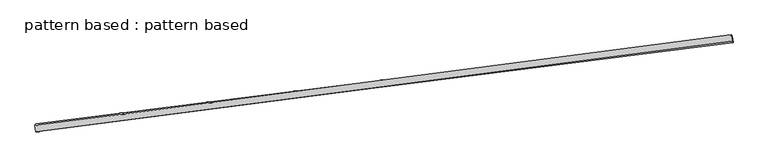
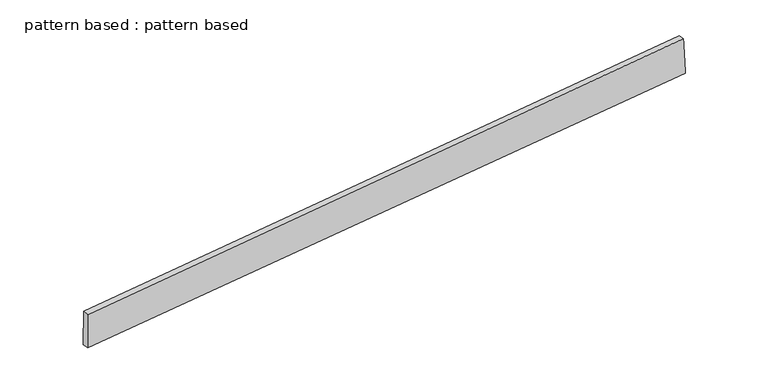
"""IFC4 building model written with IfcOpenShell, lengths in millimetres: plate geometry, pattern based : pattern based."""

from ifc_helpers import new_model, si_unit, frame, origin, place, context, project, spatial, source, transform, mapped, element, save
from ifc_brep_helpers import plane_surface, spline_surface, advanced_brep


def pattern_based_pattern_based_fd4a2e11(model_context):
    return source(origin(), model_context, "Body", "AdvancedBrep", [
        advanced_brep(
        [(3462.2033205, 3462.2033205, -31.5008334), (3459.4218254, 3456.409718, 118.3614282), (3456.2352329, 3481.2057585, 118.3166467), (3459.016728, 3486.999361, -31.545615), (6141.0324779, 3806.8496253, 181.2533089), (6137.8458854, 3831.6456658, 181.2085274), (6145.2334353, 3801.4120872, 31.4107745), (6142.0468428, 3826.2081276, 31.3659929)],
        [
            (0, 1),
            (1, 2),
            (2, 3),
            (3, 0),
            (1, 4),
            (4, 5),
            (5, 2),
            (4, 6),
            (6, 7),
            (7, 5),
            (6, 0),
            (3, 7),
        ],
        [
            plane_surface(frame((3460.812573, 3459.3065193, 43.4302974), z_axis=(-0.9915678790311838, -0.1274706579376026, -0.023331794584954418), x_axis=(-0.018543300579783813, -0.03862401653785894, 0.9990817440780765))),
            plane_surface(frame((4800.2271516, 3631.6296717, 149.8073686), z_axis=(-0.023291430436187487, -0.0011877269444268972, 0.9997280122978158), x_axis=(0.9913008481170783, 0.1295457925669398, 0.02324900321658443))),
            plane_surface(frame((6143.1329566, 3804.1308563, 106.3320417), z_axis=(0.9915715597298906, 0.12747084563172212, 0.023173809543656807), x_axis=(0.02800638308984871, -0.03625025449259457, -0.9989502297689544))),
            plane_surface(frame((4803.7183779, 3631.8077038, -0.0450295), z_axis=(0.02329143043618765, 0.0011877269444252189, -0.9997280122978157), x_axis=(-0.9918342602374839, -0.12539511736362488, -0.023256499317951474))),
            spline_surface(1, 1, [[(3456.2352329, 3481.2057585, 118.3166467), (3459.016728, 3486.999361, -31.545615)], [(6137.8458854, 3831.6456658, 181.2085274), (6142.0468428, 3826.2081276, 31.3659929)]], [2, 2], [2, 2], [0.0, 1.0], [0.0, 1.0]),
            spline_surface(1, 1, [[(6145.2334353, 3801.4120872, 31.4107745), (3462.2033205, 3462.2033205, -31.5008334)], [(6141.0324779, 3806.8496253, 181.2533089), (3459.4218254, 3456.409718, 118.3614282)]], [2, 2], [2, 2], [0.0, 1.0], [0.0, 1.0]),
        ],
        [
            (0, [[1, 2, 3, 4]]),
            (1, [[5, 6, 7, -2]]),
            (2, [[8, 9, 10, -6]]),
            (3, [[11, -4, 12, -9]]),
            (4, [[-3, -7, -10, -12]]),
            (5, [[-11, -8, -5, -1]]),
        ],
    ),
    ])


if __name__ == "__main__":
    model = new_model("IFC4")
    model_context = context("Model", 3, world=origin())
    ifc_project = project(units=[si_unit("LENGTHUNIT", "METRE", prefix="MILLI")], contexts=[model_context])
    site = spatial("IfcSite", under=ifc_project)
    building = spatial("IfcBuilding", under=site)
    placement = place(None, origin())
    pattern_based_pattern_based_shape = pattern_based_pattern_based_fd4a2e11(model_context)
    element("IfcPlate", 1, ObjectType="pattern based : pattern based", at=placement, inside=building, context=model_context, shape_type="MappedRepresentation", body=[
        mapped(pattern_based_pattern_based_shape, transform((0.0, 0.0, 0.0), x_axis=(1.0, 0.0, 0.0), y_axis=(0.0, 1.0, 0.0), z_axis=(0.0, 0.0, 1.0))),
    ])
    save(model, "model.ifc")
